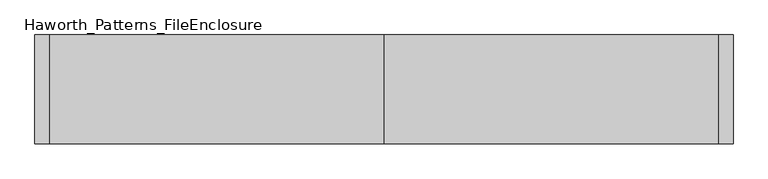
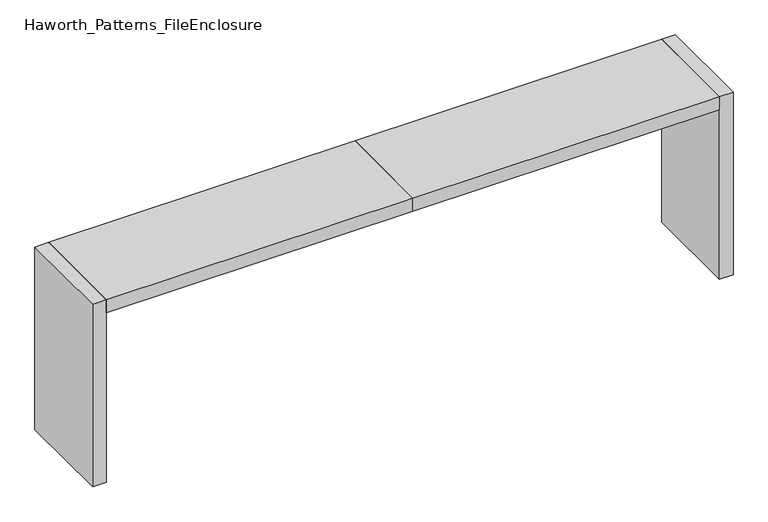
"""IFC4 building model written with IfcOpenShell, lengths in millimetres: furniture geometry, Haworth_Patterns_FileEnclosure."""

from ifc_helpers import new_model, si_unit, frame, origin, origin_with_axes, place, context, project, spatial, polyline, outline, extrude, source, transform, mapped, element, save


def haworth_patterns_fileenclosure_2c068b06(model_context):
    return source(origin(), model_context, "Body", "SweptSolid", [
        extrude(outline(polyline([(0.0, 0.0), (1714.5, 0.0), (1714.5, -558.8), (0.0, -558.8), (0.0, 0.0)])), frame((0.0, 0.0, 1003.3), z_axis=(0.0, 0.0, 1.0), x_axis=(1.0, 0.0, 0.0)), (0.0, 0.0, 1.0), 76.2),
        extrude(outline(polyline([(0.0, 0.0), (0.0, -558.8), (-1714.5, -558.8), (-1714.5, 0.0), (0.0, 0.0)])), frame((0.0, 0.0, 1003.3), z_axis=(0.0, 0.0, 1.0), x_axis=(1.0, 0.0, 0.0)), (0.0, 0.0, 1.0), 76.2),
        extrude(outline(polyline([(1714.5, 0.0), (1790.7, 0.0), (1790.7, -558.8), (1714.5, -558.8), (1714.5, 0.0)])), origin_with_axes(), (0.0, 0.0, 1.0), 1079.5),
        extrude(outline(polyline([(-1714.5, 0.0), (-1714.5, -558.8), (-1790.7, -558.8), (-1790.7, 0.0), (-1714.5, 0.0)])), origin_with_axes(), (0.0, 0.0, 1.0), 1079.5),
    ])


if __name__ == "__main__":
    model = new_model("IFC4")
    model_context = context("Model", 3, world=origin())
    ifc_project = project(units=[si_unit("LENGTHUNIT", "METRE", prefix="MILLI")], contexts=[model_context])
    site = spatial("IfcSite", under=ifc_project)
    building = spatial("IfcBuilding", under=site)
    placement = place(None, origin())
    haworth_patterns_fileenclosure_shape = haworth_patterns_fileenclosure_2c068b06(model_context)
    element("IfcFurniture", 1, ObjectType="Haworth_Patterns_FileEnclosure", at=placement, inside=building, context=model_context, shape_type="MappedRepresentation", body=[
        mapped(haworth_patterns_fileenclosure_shape, transform((0.0, 0.0, 0.0), x_axis=(1.0, 0.0, 0.0), y_axis=(0.0, 1.0, 0.0), z_axis=(0.0, 0.0, 1.0))),
    ])
    save(model, "model.ifc")
